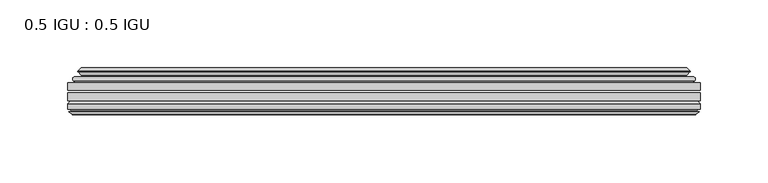
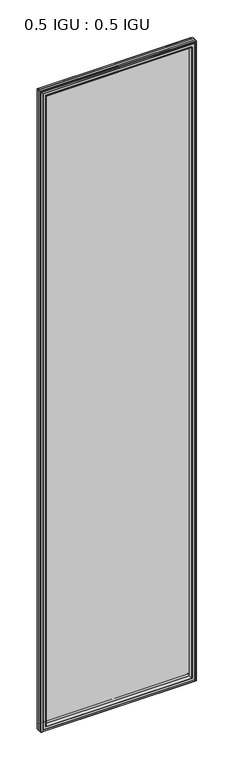
"""IFC4 building model written with IfcOpenShell, lengths in millimetres: plate geometry, 0.5 IGU : 0.5 IGU."""

from ifc_helpers import new_model, si_unit, frame, origin, place, context, project, spatial, polyline, ellipse_curve, outline, extrude, faceted_brep, source, transform, mapped, element, save
from ifc_brep_helpers import plane_surface, cylinder_surface, revolved_surface, advanced_brep


def plate_0_5_igu_0_5_igu_82f9acd4(model_context):
    return source(origin(), model_context, "Body", "SolidModel", [
        extrude(outline(polyline([(233.376675, -55.82285), (233.376675, -61.48705), (-233.3625, -61.48705), (-233.3625, -55.82285), (233.376675, -55.82285)])), frame((0.0, 0.0, -14.2875), z_axis=(0.0, 0.0, 1.0), x_axis=(1.0, 0.0, 0.0)), (0.0, 0.0, 1.0), 2025.6537979),
        extrude(outline(polyline([(-233.3625, -69.05625), (-233.3625, -63.39205), (233.376675, -63.39205), (233.376675, -69.05625), (-233.3625, -69.05625)])), frame((0.0, 0.0, -14.2875), z_axis=(0.0, 0.0, 1.0), x_axis=(1.0, 0.0, 0.0)), (0.0, 0.0, 1.0), 2025.6537979),
        advanced_brep(
        [(-229.2599626, -54.3724927, 2007.2599626), (-228.2154378, -51.60645, 2006.2154378), (-228.2154378, -51.60645, -9.1404378), (-229.2599626, -54.3724927, -10.1849626), (-227.623517, -55.82285, 2005.623517), (-227.623517, -55.82285, -8.548517), (-219.075, -45.63745, 1997.075), (-215.4922761, -55.82285, 1993.4922761), (-215.4922761, -55.82285, 3.5827239), (-219.075, -45.63745, 0.0), (-224.2609109, -46.8185491, 2002.2609109), (-224.2609109, -46.8185491, -5.1859109), (-223.4638893, -44.8183085, 2001.4638893), (-223.4638893, -44.8183085, -4.3888893), (-225.7476111, -47.135817, 2003.7476111), (-225.7476111, -47.135817, -6.6726111), (-225.7476111, -47.8489429, 2003.7476111), (-225.7476111, -47.8489429, -6.6726111), (-223.4638893, -50.1664515, 2001.4638893), (-223.4638893, -50.1664515, -4.3888893), (-224.2532501, -48.1854367, 2002.2532501), (-224.2532501, -48.1854367, -5.1782501), (-221.7294379, -48.027045, 1999.7294379), (-221.7294379, -48.027045, -2.6544379), (-220.7036217, -48.7147544, 1998.7036217), (-220.7036217, -48.7147544, -1.6286217), (-220.8220288, -50.1092231, 1998.8220288), (-220.8220288, -50.1092231, -1.7470288), (-221.4237748, -51.60645, 1999.4237748), (-221.4237748, -51.60645, -2.3487748), (228.2154378, -51.60645, -9.1404378), (229.2599626, -54.3724927, -10.1849626), (227.623517, -55.82285, -8.548517), (215.4922761, -55.82285, 3.5827239), (219.075, -45.63745, 0.0), (224.2609109, -46.8185491, -5.1859109), (223.4638893, -44.8183085, -4.3888893), (225.7476111, -47.135817, -6.6726111), (225.7476111, -47.8489429, -6.6726111), (223.4638893, -50.1664515, -4.3888893), (224.2532501, -48.1854367, -5.1782501), (221.7294379, -48.027045, -2.6544379), (220.7036217, -48.7147544, -1.6286217), (220.8220288, -50.1092231, -1.7470288), (221.4237748, -51.60645, -2.3487748), (228.2154378, -51.60645, 2006.2154378), (229.2599626, -54.3724927, 2007.2599626), (227.623517, -55.82285, 2005.623517), (215.4922761, -55.82285, 1993.4922761), (219.075, -45.63745, 1997.075), (224.2609109, -46.8185491, 2002.2609109), (223.4638893, -44.8183085, 2001.4638893), (225.7476111, -47.135817, 2003.7476111), (225.7476111, -47.8489429, 2003.7476111), (223.4638893, -50.1664515, 2001.4638893), (224.2532501, -48.1854367, 2002.2532501), (221.7294379, -48.027045, 1999.7294379), (220.7036217, -48.7147544, 1998.7036217), (220.8220288, -50.1092231, 1998.8220288), (221.4237748, -51.60645, 1999.4237748)],
        [
            (0, 1, ellipse_curve(frame((-228.2070703, -53.1898501, 2006.2070703), z_axis=(-0.7071067811865475, 0.0, -0.7071067811865475), x_axis=(-0.7071067811865474, 0.0, 0.7071067811865476)), 2.2392971, 1.5834222)),
            (1, 2),
            (2, 3, ellipse_curve(frame((-228.2070703, -53.1898501, -9.1320703), z_axis=(-0.7071067811865475, 0.0, 0.7071067811865475), x_axis=(0.7071067811865474, 0.0, 0.7071067811865476)), 2.2392971, 1.5834222)),
            (3, 0),
            (4, 0),
            (3, 5),
            (5, 4),
            (6, 7, ellipse_curve(frame((-186.795246, -40.0058297, 1964.795246), z_axis=(0.7071067811865475, 0.0, 0.7071067811865475), x_axis=(0.7071067811865474, 0.0, -0.7071067811865476)), 46.3399971, 32.7673262)),
            (7, 8),
            (8, 9, ellipse_curve(frame((-186.795246, -40.0058297, 32.279754), z_axis=(0.7071067811865475, 0.0, -0.7071067811865475), x_axis=(-0.7071067811865474, 0.0, -0.7071067811865476)), 46.3399971, 32.7673262)),
            (9, 6),
            (10, 6),
            (9, 11),
            (11, 10),
            (12, 10),
            (11, 13),
            (13, 12),
            (14, 12),
            (13, 15),
            (15, 14),
            (16, 14, ellipse_curve(frame((-225.3857729, -47.49238, 2003.3857729), z_axis=(-0.7071067811865475, 0.0, -0.7071067811865475), x_axis=(-0.7071067811865474, 0.0, 0.7071067811865476)), 0.7184205, 0.508)),
            (15, 17, ellipse_curve(frame((-225.3857729, -47.49238, -6.3107729), z_axis=(-0.7071067811865475, 0.0, 0.7071067811865475), x_axis=(0.7071067811865474, 0.0, 0.7071067811865476)), 0.7184205, 0.508)),
            (17, 16),
            (18, 16),
            (17, 19),
            (19, 18),
            (20, 18),
            (19, 21),
            (21, 20),
            (22, 20),
            (21, 23),
            (23, 22),
            (24, 22, ellipse_curve(frame((-221.6658, -49.04105, 1999.6658), z_axis=(0.7071067811865475, 0.0, 0.7071067811865475), x_axis=(0.7071067811865474, 0.0, -0.7071067811865476)), 1.436841, 1.016)),
            (23, 25, ellipse_curve(frame((-221.6658, -49.04105, -2.5908), z_axis=(0.7071067811865475, 0.0, -0.7071067811865475), x_axis=(-0.7071067811865474, 0.0, -0.7071067811865476)), 1.436841, 1.016)),
            (25, 24),
            (26, 24, ellipse_curve(frame((-223.0374, -49.21885, 2001.0374), z_axis=(0.7071067811865475, 0.0, 0.7071067811865475), x_axis=(0.7071067811865474, 0.0, -0.7071067811865476)), 3.3765763, 2.3876)),
            (25, 27, ellipse_curve(frame((-223.0374, -49.21885, -3.9624), z_axis=(0.7071067811865475, 0.0, -0.7071067811865475), x_axis=(-0.7071067811865474, 0.0, -0.7071067811865476)), 3.3765763, 2.3876)),
            (27, 26),
            (28, 26),
            (27, 29),
            (29, 28),
            (2, 30),
            (30, 31, ellipse_curve(frame((228.2070703, -53.1898501, -9.1320703), z_axis=(-0.7071067811865475, 0.0, -0.7071067811865475), x_axis=(-0.7071067811865476, 0.0, 0.7071067811865474)), 2.2392971, 1.5834222)),
            (31, 3),
            (31, 32),
            (32, 5),
            (8, 33),
            (33, 34, ellipse_curve(frame((186.795246, -40.0058297, 32.279754), z_axis=(0.7071067811865475, 0.0, 0.7071067811865475), x_axis=(0.7071067811865476, 0.0, -0.7071067811865474)), 46.3399971, 32.7673262)),
            (34, 9),
            (34, 35),
            (35, 11),
            (35, 36),
            (36, 13),
            (36, 37),
            (37, 15),
            (37, 38, ellipse_curve(frame((225.3857729, -47.49238, -6.3107729), z_axis=(-0.7071067811865475, 0.0, -0.7071067811865475), x_axis=(-0.7071067811865476, 0.0, 0.7071067811865474)), 0.7184205, 0.508)),
            (38, 17),
            (38, 39),
            (39, 19),
            (39, 40),
            (40, 21),
            (40, 41),
            (41, 23),
            (41, 42, ellipse_curve(frame((221.6658, -49.04105, -2.5908), z_axis=(0.7071067811865475, 0.0, 0.7071067811865475), x_axis=(0.7071067811865476, 0.0, -0.7071067811865474)), 1.436841, 1.016)),
            (42, 25),
            (42, 43, ellipse_curve(frame((223.0374, -49.21885, -3.9624), z_axis=(0.7071067811865475, 0.0, 0.7071067811865475), x_axis=(0.7071067811865476, 0.0, -0.7071067811865474)), 3.3765763, 2.3876)),
            (43, 27),
            (43, 44),
            (44, 29),
            (30, 45),
            (45, 46, ellipse_curve(frame((228.2070703, -53.1898501, 2006.2070703), z_axis=(0.7071067811865475, 0.0, -0.7071067811865475), x_axis=(-0.7071067811865474, 0.0, -0.7071067811865476)), 2.2392971, 1.5834222)),
            (46, 31),
            (46, 47),
            (47, 32),
            (33, 48),
            (48, 49, ellipse_curve(frame((186.795246, -40.0058297, 1964.795246), z_axis=(-0.7071067811865475, 0.0, 0.7071067811865475), x_axis=(0.7071067811865474, 0.0, 0.7071067811865476)), 46.3399971, 32.7673262)),
            (49, 34),
            (49, 50),
            (50, 35),
            (50, 51),
            (51, 36),
            (51, 52),
            (52, 37),
            (52, 53, ellipse_curve(frame((225.3857729, -47.49238, 2003.3857729), z_axis=(0.7071067811865475, 0.0, -0.7071067811865475), x_axis=(-0.7071067811865474, 0.0, -0.7071067811865476)), 0.7184205, 0.508)),
            (53, 38),
            (53, 54),
            (54, 39),
            (54, 55),
            (55, 40),
            (55, 56),
            (56, 41),
            (56, 57, ellipse_curve(frame((221.6658, -49.04105, 1999.6658), z_axis=(-0.7071067811865475, 0.0, 0.7071067811865475), x_axis=(0.7071067811865474, 0.0, 0.7071067811865476)), 1.436841, 1.016)),
            (57, 42),
            (57, 58, ellipse_curve(frame((223.0374, -49.21885, 2001.0374), z_axis=(-0.7071067811865475, 0.0, 0.7071067811865475), x_axis=(0.7071067811865474, 0.0, 0.7071067811865476)), 3.3765763, 2.3876)),
            (58, 43),
            (58, 59),
            (59, 44),
            (45, 1),
            (0, 46),
            (4, 47),
            (7, 48),
            (6, 49),
            (10, 50),
            (12, 51),
            (14, 52),
            (16, 53),
            (18, 54),
            (20, 55),
            (22, 56),
            (24, 57),
            (26, 58),
            (28, 59),
        ],
        [
            cylinder_surface(frame((-228.2070703, -53.1898501, 2028.825), z_axis=(0.0, 0.0, 1.0), x_axis=(-1.0, 0.0, 0.0)), 1.5834222),
            plane_surface(frame((-229.2599626, -54.3724927, 2007.2599626), z_axis=(-0.6632745773184306, -0.7483761320907135, 0.0), x_axis=(0.0, 0.0, -1.0))),
            revolved_surface(polyline([(-219.56257219999998, -40.0058297, -0.48757218957507575), (-219.56257219999998, -40.0058297, 1997.562572189575)]), (-186.795246, -40.0058297, 2028.825), (0.0, 0.0, -1.0)),
            plane_surface(frame((-219.075, -45.63745, 1997.075), z_axis=(-0.22206498442787428, 0.975031867525902, 0.0), x_axis=(0.0, 0.0, -1.0))),
            plane_surface(frame((-224.2609109, -46.8185491, 2002.2609109), z_axis=(0.928968268563027, -0.37015936568323066, 0.0), x_axis=(0.0, 0.0, -1.0))),
            plane_surface(frame((-223.4638893, -44.8183085, 2001.4638893), z_axis=(-0.7122798501733482, 0.7018955869907096, 0.0), x_axis=(0.0, 0.0, -1.0))),
            cylinder_surface(frame((-225.3857729, -47.49238, 2028.825), z_axis=(0.0, 0.0, 1.0), x_axis=(-1.0, 0.0, 0.0)), 0.508),
            plane_surface(frame((-225.7476111, -47.8489429, 2003.7476111), z_axis=(-0.7122798501732925, -0.701895586990766, 0.0), x_axis=(0.0, 0.0, -1.0))),
            plane_surface(frame((-223.4638893, -50.1664515, 2001.4638893), z_axis=(0.9289682685628707, 0.3701593656836228, 0.0), x_axis=(0.0, 0.0, -1.0))),
            plane_surface(frame((-224.2532501, -48.1854367, 2002.2532501), z_axis=(0.06263570119284978, -0.9980364567169279, 0.0), x_axis=(0.0, 0.0, -1.0))),
            revolved_surface(polyline([(-222.68179999999998, -49.04105, -3.6068000145867245), (-222.68179999999998, -49.04105, 2000.6818000145868)]), (-221.6658, -49.04105, 2028.825), (0.0, 0.0, -1.0)),
            revolved_surface(polyline([(-225.42499999999998, -49.21885, -6.3499999989237494), (-225.42499999999998, -49.21885, 2003.4249999989238)]), (-223.0374, -49.21885, 2028.825), (0.0, 0.0, -1.0)),
            plane_surface(frame((-220.8220288, -50.1092231, 1998.8220288), z_axis=(-0.9278652925428184, 0.3729155385532094, 0.0), x_axis=(0.0, 0.0, -1.0))),
            cylinder_surface(frame((-250.825, -53.1898501, -9.1320703), z_axis=(-1.0, 0.0, 0.0), x_axis=(0.0, 0.0, -1.0)), 1.5834222),
            plane_surface(frame((-229.2599626, -54.3724927, -10.1849626), z_axis=(0.0, -0.7483761320907157, -0.6632745773184283), x_axis=(1.0, 0.0, 0.0))),
            revolved_surface(polyline([(219.5625721895749, -40.0058297, -0.48757220000000245), (-219.56257218957492, -40.0058297, -0.48757220000000245)]), (-250.825, -40.0058297, 32.279754), (1.0, 0.0, 0.0)),
            plane_surface(frame((-219.075, -45.63745, 0.0), z_axis=(0.0, 0.9750318675259013, -0.22206498442787745), x_axis=(1.0, 0.0, 0.0))),
            plane_surface(frame((-224.2609109, -46.8185491, -5.1859109), z_axis=(0.0, -0.37015936568322766, 0.9289682685630283), x_axis=(1.0, 0.0, 0.0))),
            plane_surface(frame((-223.4638893, -44.8183085, -4.3888893), z_axis=(0.0, 0.7018955869907073, -0.7122798501733504), x_axis=(1.0, 0.0, 0.0))),
            cylinder_surface(frame((-250.825, -47.49238, -6.3107729), z_axis=(-1.0, 0.0, 0.0), x_axis=(0.0, 0.0, -1.0)), 0.508),
            plane_surface(frame((-225.7476111, -47.8489429, -6.6726111), z_axis=(0.0, -0.7018955869907684, -0.7122798501732903), x_axis=(1.0, 0.0, 0.0))),
            plane_surface(frame((-223.4638893, -50.1664515, -4.3888893), z_axis=(0.0, 0.37015936568362584, 0.9289682685628696), x_axis=(1.0, 0.0, 0.0))),
            plane_surface(frame((-224.2532501, -48.1854367, -5.1782501), z_axis=(0.0, -0.9980364567169276, 0.06263570119285301), x_axis=(1.0, 0.0, 0.0))),
            revolved_surface(polyline([(222.68180001458683, -49.04105, -3.6068000000000002), (-222.68180001458686, -49.04105, -3.6068000000000002)]), (-250.825, -49.04105, -2.5908), (1.0, 0.0, 0.0)),
            revolved_surface(polyline([(225.4249999989238, -49.21885, -6.35), (-225.42499999892377, -49.21885, -6.35)]), (-250.825, -49.21885, -3.9624), (1.0, 0.0, 0.0)),
            plane_surface(frame((-220.8220288, -50.1092231, -1.7470288), z_axis=(0.0, 0.3729155385532064, -0.9278652925428196), x_axis=(1.0, 0.0, 0.0))),
            cylinder_surface(frame((228.2070703, -53.1898501, -31.75), z_axis=(0.0, 0.0, -1.0), x_axis=(1.0, 0.0, 0.0)), 1.5834222),
            plane_surface(frame((229.2599626, -54.3724927, -10.1849626), z_axis=(0.6632745773184259, -0.7483761320907178, 0.0), x_axis=(0.0, 0.0, 1.0))),
            revolved_surface(polyline([(219.56257219999998, -40.0058297, 1997.562572189575), (219.56257219999998, -40.0058297, -0.48757218957494075)]), (186.795246, -40.0058297, -31.75), (0.0, 0.0, 1.0)),
            plane_surface(frame((219.075, -45.63745, 0.0), z_axis=(0.22206498442788059, 0.9750318675259005, 0.0), x_axis=(0.0, 0.0, 1.0))),
            plane_surface(frame((224.2609109, -46.8185491, -5.1859109), z_axis=(-0.9289682685630295, -0.37015936568322466, 0.0), x_axis=(0.0, 0.0, 1.0))),
            plane_surface(frame((223.4638893, -44.8183085, -4.3888893), z_axis=(0.7122798501733526, 0.701895586990705, 0.0), x_axis=(0.0, 0.0, 1.0))),
            cylinder_surface(frame((225.3857729, -47.49238, -31.75), z_axis=(0.0, 0.0, -1.0), x_axis=(1.0, 0.0, 0.0)), 0.508),
            plane_surface(frame((225.7476111, -47.8489429, -6.6726111), z_axis=(0.712279850173288, -0.7018955869907706, 0.0), x_axis=(0.0, 0.0, 1.0))),
            plane_surface(frame((223.4638893, -50.1664515, -4.3888893), z_axis=(-0.9289682685628684, 0.37015936568362884, 0.0), x_axis=(0.0, 0.0, 1.0))),
            plane_surface(frame((224.2532501, -48.1854367, -5.1782501), z_axis=(-0.06263570119285625, -0.9980364567169274, 0.0), x_axis=(0.0, 0.0, 1.0))),
            revolved_surface(polyline([(222.68179999999998, -49.04105, 2000.6818000145868), (222.68179999999998, -49.04105, -3.606800014586863)]), (221.6658, -49.04105, -31.75), (0.0, 0.0, 1.0)),
            revolved_surface(polyline([(225.42499999999998, -49.21885, 2003.4249999989238), (225.42499999999998, -49.21885, -6.349999998923781)]), (223.0374, -49.21885, -31.75), (0.0, 0.0, 1.0)),
            plane_surface(frame((220.8220288, -50.1092231, -1.7470288), z_axis=(0.9278652925428208, 0.3729155385532034, 0.0), x_axis=(0.0, 0.0, 1.0))),
            cylinder_surface(frame((250.825, -53.1898501, 2006.2070703), z_axis=(1.0, 0.0, 0.0), x_axis=(0.0, 0.0, 1.0)), 1.5834222),
            plane_surface(frame((229.2599626, -54.3724927, 2007.2599626), z_axis=(0.0, -0.7483761320907157, 0.6632745773184283), x_axis=(-1.0, 0.0, 0.0))),
            plane_surface(frame((227.623517, -55.82285, 2005.623517), z_axis=(0.0, -1.0, 0.0), x_axis=(-1.0, 0.0, 0.0))),
            revolved_surface(polyline([(-219.5625721895749, -40.0058297, 1997.5625722), (219.56257218957492, -40.0058297, 1997.5625722)]), (250.825, -40.0058297, 1964.795246), (-1.0, 0.0, 0.0)),
            plane_surface(frame((219.075, -45.63745, 1997.075), z_axis=(0.0, 0.9750318675259012, 0.22206498442787742), x_axis=(-1.0, 0.0, 0.0))),
            plane_surface(frame((224.2609109, -46.8185491, 2002.2609109), z_axis=(0.0, -0.37015936568322766, -0.9289682685630283), x_axis=(-1.0, 0.0, 0.0))),
            plane_surface(frame((223.4638893, -44.8183085, 2001.4638893), z_axis=(0.0, 0.7018955869907073, 0.7122798501733504), x_axis=(-1.0, 0.0, 0.0))),
            cylinder_surface(frame((250.825, -47.49238, 2003.3857729), z_axis=(1.0, 0.0, 0.0), x_axis=(0.0, 0.0, 1.0)), 0.508),
            plane_surface(frame((225.7476111, -47.8489429, 2003.7476111), z_axis=(0.0, -0.7018955869907684, 0.7122798501732903), x_axis=(-1.0, 0.0, 0.0))),
            plane_surface(frame((223.4638893, -50.1664515, 2001.4638893), z_axis=(0.0, 0.37015936568362584, -0.9289682685628696), x_axis=(-1.0, 0.0, 0.0))),
            plane_surface(frame((224.2532501, -48.1854367, 2002.2532501), z_axis=(0.0, -0.9980364567169276, -0.06263570119285301), x_axis=(-1.0, 0.0, 0.0))),
            revolved_surface(polyline([(-222.68180001458683, -49.04105, 2000.6818), (222.68180001458686, -49.04105, 2000.6818)]), (250.825, -49.04105, 1999.6658), (-1.0, 0.0, 0.0)),
            revolved_surface(polyline([(-225.4249999989238, -49.21885, 2003.425), (225.42499999892377, -49.21885, 2003.425)]), (250.825, -49.21885, 2001.0374), (-1.0, 0.0, 0.0)),
            plane_surface(frame((220.8220288, -50.1092231, 1998.8220288), z_axis=(0.0, 0.3729155385532064, 0.9278652925428196), x_axis=(-1.0, 0.0, 0.0))),
            plane_surface(frame((221.4237748, -51.60645, 1999.4237748), z_axis=(0.0, 1.0, 0.0), x_axis=(-1.0, 0.0, 0.0))),
        ],
        [
            (0, [[1, 2, 3, 4]]),
            (1, [[5, -4, 6, 7]]),
            (2, [[8, 9, 10, 11]]),
            (3, [[12, -11, 13, 14]]),
            (4, [[15, -14, 16, 17]]),
            (5, [[18, -17, 19, 20]]),
            (6, [[21, -20, 22, 23]]),
            (7, [[24, -23, 25, 26]]),
            (8, [[27, -26, 28, 29]]),
            (9, [[30, -29, 31, 32]]),
            (10, [[33, -32, 34, 35]]),
            (11, [[36, -35, 37, 38]]),
            (12, [[39, -38, 40, 41]]),
            (13, [[-3, 42, 43, 44]]),
            (14, [[-6, -44, 45, 46]]),
            (15, [[-10, 47, 48, 49]]),
            (16, [[-13, -49, 50, 51]]),
            (17, [[-16, -51, 52, 53]]),
            (18, [[-19, -53, 54, 55]]),
            (19, [[-22, -55, 56, 57]]),
            (20, [[-25, -57, 58, 59]]),
            (21, [[-28, -59, 60, 61]]),
            (22, [[-31, -61, 62, 63]]),
            (23, [[-34, -63, 64, 65]]),
            (24, [[-37, -65, 66, 67]]),
            (25, [[-40, -67, 68, 69]]),
            (26, [[-43, 70, 71, 72]]),
            (27, [[-45, -72, 73, 74]]),
            (28, [[-48, 75, 76, 77]]),
            (29, [[-50, -77, 78, 79]]),
            (30, [[-52, -79, 80, 81]]),
            (31, [[-54, -81, 82, 83]]),
            (32, [[-56, -83, 84, 85]]),
            (33, [[-58, -85, 86, 87]]),
            (34, [[-60, -87, 88, 89]]),
            (35, [[-62, -89, 90, 91]]),
            (36, [[-64, -91, 92, 93]]),
            (37, [[-66, -93, 94, 95]]),
            (38, [[-68, -95, 96, 97]]),
            (39, [[-71, 98, -1, 99]]),
            (40, [[-73, -99, -5, 100]]),
            (41, [[-46, -74, -100, -7], [101, -75, -47, -9]]),
            (42, [[-76, -101, -8, 102]]),
            (43, [[-78, -102, -12, 103]]),
            (44, [[-80, -103, -15, 104]]),
            (45, [[-82, -104, -18, 105]]),
            (46, [[-84, -105, -21, 106]]),
            (47, [[-86, -106, -24, 107]]),
            (48, [[-88, -107, -27, 108]]),
            (49, [[-90, -108, -30, 109]]),
            (50, [[-92, -109, -33, 110]]),
            (51, [[-94, -110, -36, 111]]),
            (52, [[-96, -111, -39, 112]]),
            (53, [[-98, -70, -42, -2], [-69, -97, -112, -41]]),
        ],
    ),
        faceted_brep([(-215.2207827, -69.05625, 1993.2207827), (-217.7870798, -77.94625, 1995.7870798), (-217.7870798, -77.94625, 1.2879202), (-215.2207827, -69.05625, 3.8542173), (-233.3752, -71.2633102, 2011.3752), (-231.1681398, -69.05625, 2009.1681398), (-231.1681398, -69.05625, -12.0931398), (-233.3752, -71.2633102, -14.3002), (-233.3752, -75.40625, 2011.3752), (-233.3752, -75.40625, -14.3002), (-230.9561775, -76.58989, 2008.9561775), (-231.8258, -75.40625, 2009.8258), (-231.8258, -75.40625, -12.7508), (-230.9561775, -76.58989, -11.8811775), (-230.759, -77.8875884, 2008.759), (-230.759, -77.8875884, -11.684), (-231.73466, -77.3578917, 2009.73466), (-231.73466, -77.3578917, -12.65966), (-230.2002, -79.1749663, 2008.2002), (-232.5273305, -77.3578917, 2010.5273305), (-232.5273305, -77.3578917, -13.4523305), (-230.2002, -79.1749663, -11.1252), (-227.8730695, -77.3578917, 2005.8730695), (-227.8730695, -77.3578917, -8.7980695), (-229.6414, -77.8875884, 2007.6414), (-228.66574, -77.3578917, 2006.66574), (-228.66574, -77.3578917, -9.59074), (-229.6414, -77.8875884, -10.5664), (-229.4442225, -76.58989, 2007.4442225), (-229.4442225, -76.58989, -10.3692225), (-228.5746, -75.40625, 2006.5746), (-228.5746, -75.40625, -9.4996), (-219.4263667, -77.94625, 1997.4263667), (-218.8972, -75.40625, 1996.8972), (-218.8972, -75.40625, 0.1778), (-219.4263667, -77.94625, -0.3513667), (217.7870798, -77.94625, 1.2879202), (215.2207827, -69.05625, 3.8542173), (231.1681398, -69.05625, -12.0931398), (233.3752, -71.2633102, -14.3002), (233.3752, -75.40625, -14.3002), (231.8258, -75.40625, -12.7508), (230.9561775, -76.58989, -11.8811775), (230.759, -77.8875884, -11.684), (231.73466, -77.3578917, -12.65966), (232.5273305, -77.3578917, -13.4523305), (230.2002, -79.1749663, -11.1252), (227.8730695, -77.3578917, -8.7980695), (228.66574, -77.3578917, -9.59074), (229.6414, -77.8875884, -10.5664), (229.4442225, -76.58989, -10.3692225), (228.5746, -75.40625, -9.4996), (218.8972, -75.40625, 0.1778), (219.4263667, -77.94625, -0.3513667), (217.7870798, -77.94625, 1995.7870798), (215.2207827, -69.05625, 1993.2207827), (231.1681398, -69.05625, 2009.1681398), (233.3752, -71.2633102, 2011.3752), (233.3752, -75.40625, 2011.3752), (231.8258, -75.40625, 2009.8258), (230.9561775, -76.58989, 2008.9561775), (230.759, -77.8875884, 2008.759), (231.73466, -77.3578917, 2009.73466), (232.5273305, -77.3578917, 2010.5273305), (230.2002, -79.1749663, 2008.2002), (227.8730695, -77.3578917, 2005.8730695), (228.66574, -77.3578917, 2006.66574), (229.6414, -77.8875884, 2007.6414), (229.4442225, -76.58989, 2007.4442225), (228.5746, -75.40625, 2006.5746), (218.8972, -75.40625, 1996.8972), (219.4263667, -77.94625, 1997.4263667)], [[[0, 1, 2, 3]], [[4, 5, 6, 7]], [[8, 4, 7, 9]], [[10, 11, 12, 13]], [[14, 10, 13, 15]], [[16, 14, 15, 17]], [[18, 19, 20, 21]], [[22, 18, 21, 23]], [[24, 25, 26, 27]], [[28, 24, 27, 29]], [[30, 28, 29, 31]], [[32, 33, 34, 35]], [[3, 2, 36, 37]], [[7, 6, 38, 39]], [[9, 7, 39, 40]], [[13, 12, 41, 42]], [[15, 13, 42, 43]], [[17, 15, 43, 44]], [[21, 20, 45, 46]], [[23, 21, 46, 47]], [[27, 26, 48, 49]], [[29, 27, 49, 50]], [[31, 29, 50, 51]], [[35, 34, 52, 53]], [[37, 36, 54, 55]], [[39, 38, 56, 57]], [[40, 39, 57, 58]], [[42, 41, 59, 60]], [[43, 42, 60, 61]], [[44, 43, 61, 62]], [[46, 45, 63, 64]], [[47, 46, 64, 65]], [[49, 48, 66, 67]], [[50, 49, 67, 68]], [[51, 50, 68, 69]], [[53, 52, 70, 71]], [[55, 54, 1, 0]], [[5, 56, 38, 6], [3, 37, 55, 0]], [[57, 56, 5, 4]], [[58, 57, 4, 8]], [[9, 40, 58, 8], [11, 59, 41, 12]], [[60, 59, 11, 10]], [[61, 60, 10, 14]], [[62, 61, 14, 16]], [[19, 63, 45, 20], [17, 44, 62, 16]], [[64, 63, 19, 18]], [[65, 64, 18, 22]], [[25, 66, 48, 26], [23, 47, 65, 22]], [[67, 66, 25, 24]], [[68, 67, 24, 28]], [[69, 68, 28, 30]], [[31, 51, 69, 30], [33, 70, 52, 34]], [[71, 70, 33, 32]], [[35, 53, 71, 32], [1, 54, 36, 2]]]),
    ])


if __name__ == "__main__":
    model = new_model("IFC4")
    model_context = context("Model", 3, world=origin())
    ifc_project = project(units=[si_unit("LENGTHUNIT", "METRE", prefix="MILLI")], contexts=[model_context])
    site = spatial("IfcSite", under=ifc_project)
    building = spatial("IfcBuilding", under=site)
    placement = place(None, origin())
    plate_0_5_igu_0_5_igu_shape = plate_0_5_igu_0_5_igu_82f9acd4(model_context)
    element("IfcPlate", 1, ObjectType="0.5 IGU : 0.5 IGU", at=placement, inside=building, context=model_context, shape_type="MappedRepresentation", body=[
        mapped(plate_0_5_igu_0_5_igu_shape, transform((0.0, 0.0, 0.0), x_axis=(1.0, 0.0, 0.0), y_axis=(0.0, 1.0, 0.0), z_axis=(0.0, 0.0, 1.0))),
    ])
    save(model, "model.ifc")
